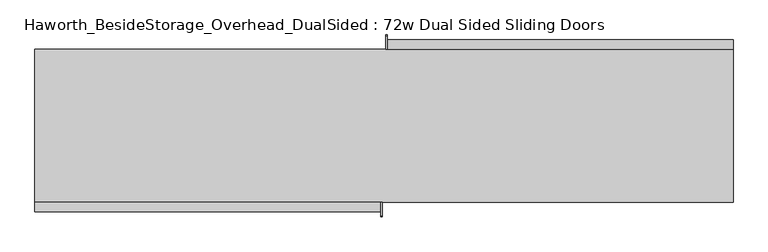
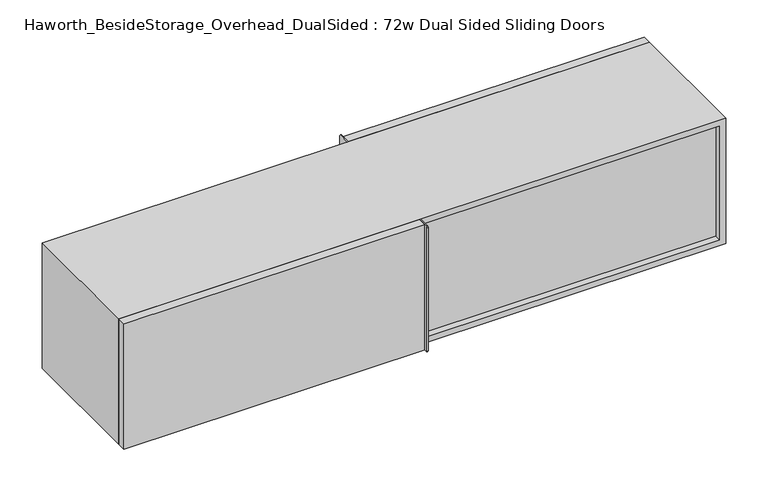
"""IFC4 building model written with IfcOpenShell, lengths in millimetres: furniture geometry, Haworth_BesideStorage_Overhead_DualSided : 72w Dual Sided Sliding Doors."""

from ifc_helpers import new_model, si_unit, point, frame, frame_2d, origin, place, context, project, spatial, polyline, circle_curve, trimmed, segment, composite_curve, outline, extrude, source, transform, mapped, element, save


def haworth_besidestorage_overhead_dualsided_72w_dual_sided_66c4c824(model_context):
    return source(origin(), model_context, "Body", "SweptSolid", [
        extrude(outline(composite_curve([segment(polyline([(-3.175, 1162.05), (31.75, 1162.05)]), True, "CONTINUOUS"), segment(trimmed(circle_curve(frame_2d((31.75, 1158.875)), 3.175), [point((31.75, 1162.05))], [point((34.925, 1158.875))], False, "CARTESIAN"), True, "CONTINUOUS"), segment(polyline([(34.925, 1158.875), (34.925, 765.175)]), True, "CONTINUOUS"), segment(trimmed(circle_curve(frame_2d((31.75, 765.175)), 3.175), [point((34.925, 765.175))], [point((31.75, 762.0))], False, "CARTESIAN"), True, "CONTINUOUS"), segment(polyline([(31.75, 762.0), (-3.175, 762.0), (-3.175, 1162.05)]), True, "CONTINUOUS")], self_intersect=False)), frame((-68.0434159, 0.0, 0.0), z_axis=(1.0, 0.0, 0.0), x_axis=(0.0, 1.0, 0.0)), (0.0, 0.0, 1.0), 3.175),
        extrude(outline(polyline([(841.5940841, -3.175), (-64.8684159, -3.175), (-64.8684159, 22.225), (841.5940841, 22.225), (841.5940841, -3.175)])), frame((0.0, 0.0, 762.0), z_axis=(0.0, 0.0, 1.0), x_axis=(1.0, 0.0, 0.0)), (0.0, 0.0, 1.0), 400.05),
        extrude(outline(composite_curve([segment(polyline([(-403.225, 1162.05), (-403.225, 762.0), (-438.15, 762.0)]), True, "CONTINUOUS"), segment(trimmed(circle_curve(frame_2d((-438.15, 765.175)), 3.175), [point((-438.15, 762.0))], [point((-441.325, 765.175))], False, "CARTESIAN"), True, "CONTINUOUS"), segment(polyline([(-441.325, 765.175), (-441.325, 1158.875)]), True, "CONTINUOUS"), segment(trimmed(circle_curve(frame_2d((-438.15, 1158.875)), 3.175), [point((-441.325, 1158.875))], [point((-438.15, 1162.05))], False, "CARTESIAN"), True, "CONTINUOUS"), segment(polyline([(-438.15, 1162.05), (-403.225, 1162.05)]), True, "CONTINUOUS")], self_intersect=False)), frame((-80.7434159, 0.0, 0.0), z_axis=(1.0, 0.0, 0.0), x_axis=(0.0, 1.0, 0.0)), (0.0, 0.0, 1.0), 3.175),
        extrude(outline(polyline([(-987.2059159, -403.225), (-80.7434159, -403.225), (-80.7434159, -428.625), (-987.2059159, -428.625), (-987.2059159, -403.225)])), frame((0.0, 0.0, 762.0), z_axis=(0.0, 0.0, 1.0), x_axis=(1.0, 0.0, 0.0)), (0.0, 0.0, 1.0), 400.05),
        extrude(outline(polyline([(-64.8684159, -371.475), (822.5440841, -371.475), (822.5440841, -384.175), (-64.8684159, -384.175), (-64.8684159, -371.475)])), frame((0.0, 0.0, 781.05), z_axis=(0.0, 0.0, 1.0), x_axis=(1.0, 0.0, 0.0)), (0.0, 0.0, 1.0), 361.95),
        extrude(outline(polyline([(-968.1559159, -22.225), (-80.7434159, -22.225), (-80.7434159, -34.925), (-968.1559159, -34.925), (-968.1559159, -22.225)])), frame((0.0, 0.0, 781.05), z_axis=(0.0, 0.0, 1.0), x_axis=(1.0, 0.0, 0.0)), (0.0, 0.0, 1.0), 361.95),
        extrude(outline(polyline([(762.0, 841.5940841), (1162.05, 841.5940841), (1162.05, -987.2059159), (762.0, -987.2059159), (762.0, 841.5940841)]), holes=[polyline([(1143.0, -80.7434159), (781.05, -80.7434159), (781.05, -968.1559159), (1143.0, -968.1559159), (1143.0, -80.7434159)]), polyline([(781.05, 822.5440841), (781.05, -64.8684159), (1143.0, -64.8684159), (1143.0, 822.5440841), (781.05, 822.5440841)])]), frame((0.0, -403.225, 0.0), z_axis=(0.0, 1.0, 0.0), x_axis=(0.0, 0.0, 1.0)), (0.0, 0.0, 1.0), 400.05),
    ])


if __name__ == "__main__":
    model = new_model("IFC4")
    model_context = context("Model", 3, world=origin())
    ifc_project = project(units=[si_unit("LENGTHUNIT", "METRE", prefix="MILLI")], contexts=[model_context])
    site = spatial("IfcSite", under=ifc_project)
    building = spatial("IfcBuilding", under=site)
    placement = place(None, origin())
    haworth_besidestorage_overhead_dualsided_72w_dual_sided_shape = haworth_besidestorage_overhead_dualsided_72w_dual_sided_66c4c824(model_context)
    element("IfcFurniture", 1, ObjectType="Haworth_BesideStorage_Overhead_DualSided : 72w Dual Sided Sliding Doors", at=placement, inside=building, context=model_context, shape_type="MappedRepresentation", body=[
        mapped(haworth_besidestorage_overhead_dualsided_72w_dual_sided_shape, transform((0.0, 0.0, 0.0), x_axis=(1.0, 0.0, 0.0), y_axis=(0.0, 1.0, 0.0), z_axis=(0.0, 0.0, 1.0))),
    ])
    save(model, "model.ifc")
